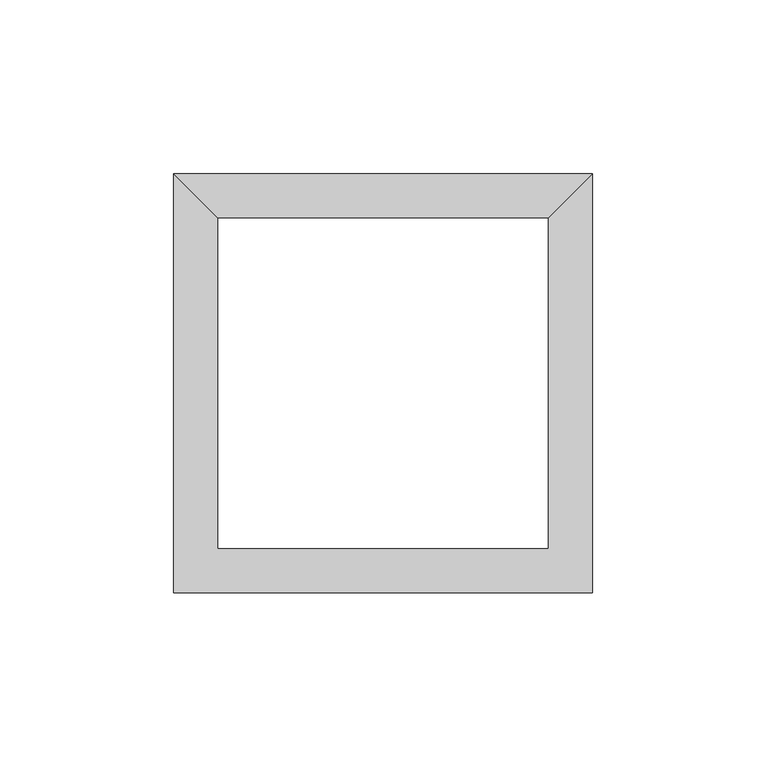
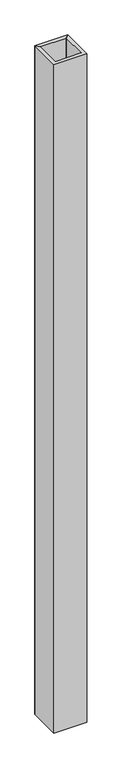
"""IFC4 building model written with IfcOpenShell, lengths in millimetres: proxy geometry."""

from ifc_helpers import new_model, si_unit, origin, origin_with_axes, place, context, project, spatial, polyline, outline, extrude, source, transform, mapped, element, save


def generic_models_f084183c(model_context):
    return source(origin(), model_context, "Body", "SweptSolid", [
        extrude(outline(polyline([(60.325, 60.325), (47.625, 47.625), (-47.625, 47.625), (-60.325, 60.325), (60.325, 60.325)])), origin_with_axes(), (0.0, 0.0, 1.0), 2590.8),
        extrude(outline(polyline([(-60.325, -60.325), (-60.325, 60.325), (-47.625, 47.625), (-47.625, -47.625), (47.625, -47.625), (47.625, 47.625), (60.325, 60.325), (60.325, -60.325), (-60.325, -60.325)])), origin_with_axes(), (0.0, 0.0, 1.0), 2590.8),
    ])


if __name__ == "__main__":
    model = new_model("IFC4")
    model_context = context("Model", 3, world=origin())
    ifc_project = project(units=[si_unit("LENGTHUNIT", "METRE", prefix="MILLI")], contexts=[model_context])
    site = spatial("IfcSite", under=ifc_project)
    building = spatial("IfcBuilding", under=site)
    placement = place(None, origin())
    generic_models_shape = generic_models_f084183c(model_context)
    element("IfcBuildingElementProxy", 1, Name="Generic Models", at=placement, inside=building, context=model_context, shape_type="MappedRepresentation", body=[
        mapped(generic_models_shape, transform((0.0, 0.0, 0.0), x_axis=(1.0, 0.0, 0.0), y_axis=(0.0, 1.0, 0.0), z_axis=(0.0, 0.0, 1.0))),
    ])
    save(model, "model.ifc")
